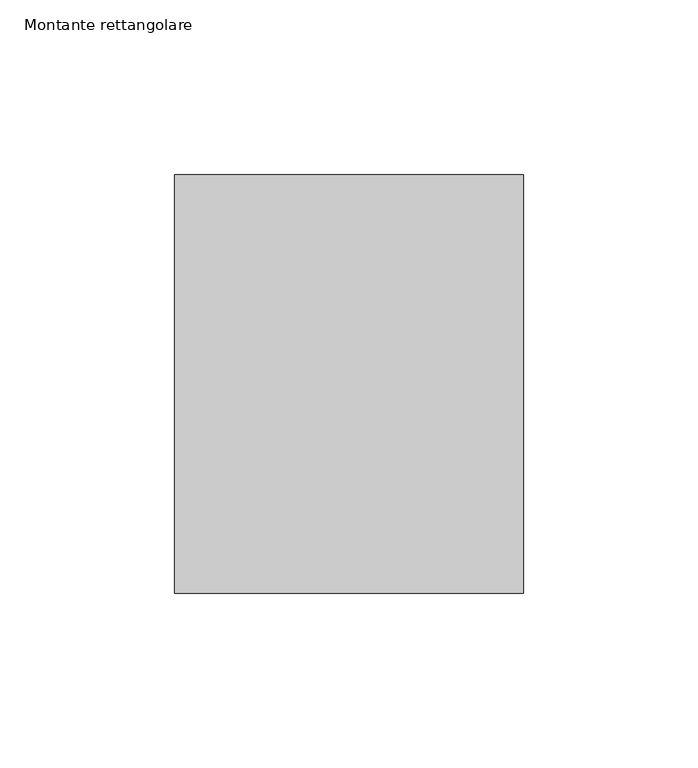
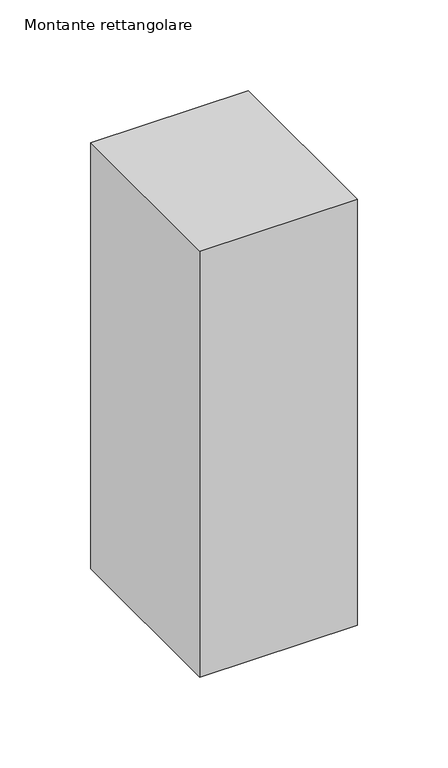
"""IFC4 building model written with IfcOpenShell, lengths in millimetres: member geometry, Montante rettangolare."""

from ifc_helpers import new_model, si_unit, frame, origin, place, context, project, spatial, polyline, outline, extrude, source, transform, mapped, element, save


def montante_rettangolare_32d2d288(model_context):
    return source(origin(), model_context, "Body", "SweptSolid", [
        extrude(outline(polyline([(50.0, 60.0), (50.0, -60.0), (-50.0, -60.0), (-50.0, 60.0), (50.0, 60.0)])), frame((0.0, 0.0, -286.3327574), z_axis=(0.0, 0.0, 1.0), x_axis=(1.0, 0.0, 0.0)), (0.0, 0.0, 1.0), 286.3327574),
    ])


if __name__ == "__main__":
    model = new_model("IFC4")
    model_context = context("Model", 3, world=origin())
    ifc_project = project(units=[si_unit("LENGTHUNIT", "METRE", prefix="MILLI")], contexts=[model_context])
    site = spatial("IfcSite", under=ifc_project)
    building = spatial("IfcBuilding", under=site)
    placement = place(None, origin())
    montante_rettangolare_shape = montante_rettangolare_32d2d288(model_context)
    element("IfcMember", 1, ObjectType="Montante rettangolare", at=placement, inside=building, context=model_context, shape_type="MappedRepresentation", body=[
        mapped(montante_rettangolare_shape, transform((0.0, 0.0, 0.0), x_axis=(1.0, 0.0, 0.0), y_axis=(0.0, 1.0, 0.0), z_axis=(0.0, 0.0, 1.0))),
    ])
    save(model, "model.ifc")
